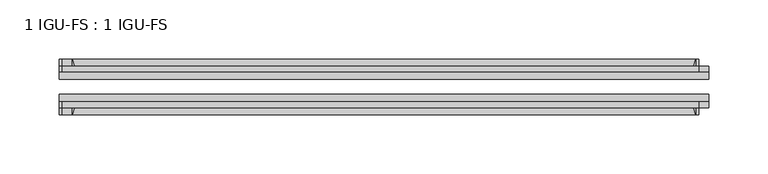
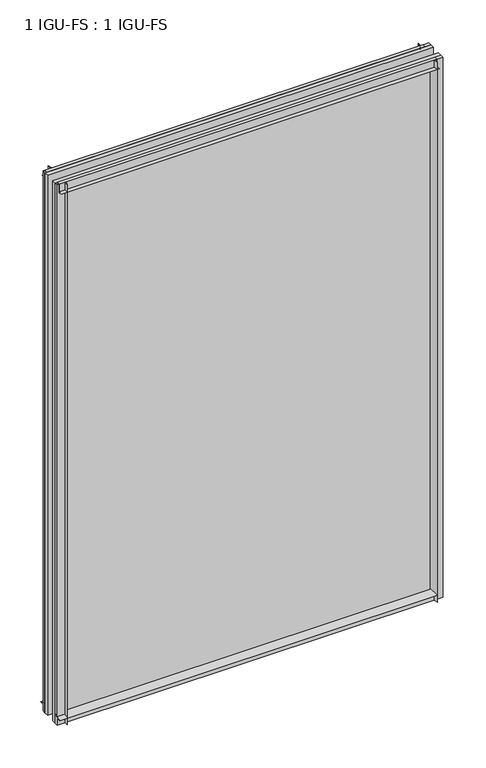
"""IFC4 building model written with IfcOpenShell, lengths in millimetres: plate geometry, 1 IGU-FS : 1 IGU-FS."""

from ifc_helpers import new_model, si_unit, point, frame, frame_2d, origin, place, context, project, spatial, polyline, circle_curve, trimmed, segment, composite_curve, outline, extrude, source, transform, mapped, element, save


def plate_1_igu_fs_1_igu_fs_cfb29761(model_context):
    return source(origin(), model_context, "Body", "SweptSolid", [
        extrude(outline(composite_curve([segment(polyline([(-40.084375, 3.8978906), (-40.084375, -10.3378), (-44.859575, -10.3378), (-44.859575, 0.0), (-50.8285753, 0.0)]), True, "CONTINUOUS"), segment(trimmed(circle_curve(frame_2d((-56.4601953, 32.279754)), 32.7673262), [point((-50.8285753, 0.0))], [point((-40.084375, 3.8978906))], True, "CARTESIAN"), True, "CONTINUOUS")], self_intersect=False)), frame((-274.6375, 0.0, 0.0), z_axis=(1.0, 0.0, 0.0), x_axis=(0.0, 1.0, 0.0)), (0.0, 0.0, 1.0), 538.1625),
        extrude(outline(composite_curve([segment(polyline([(-3.940175, 0.0), (-9.909175, 0.0), (-9.909175, -10.3378), (-14.684375, -10.3378), (-14.684375, 3.8978906)]), True, "CONTINUOUS"), segment(trimmed(circle_curve(frame_2d((1.6914453, 32.279754)), 32.7673262), [point((-14.684375, 3.8978906))], [point((-3.940175, 0.0))], True, "CARTESIAN"), True, "CONTINUOUS")], self_intersect=False)), frame((-274.6375, 0.0, 0.0), z_axis=(1.0, 0.0, 0.0), x_axis=(0.0, 1.0, 0.0)), (0.0, 0.0, 1.0), 538.1625),
        extrude(outline(composite_curve([segment(polyline([(-9.909175, 801.6875), (-9.909175, 790.575), (-3.9401753, 790.575)]), True, "CONTINUOUS"), segment(trimmed(circle_curve(frame_2d((1.6914453, 758.2952461)), 32.7673262), [point((-3.9401753, 790.575))], [point((-14.684375, 786.6771095))], True, "CARTESIAN"), True, "CONTINUOUS"), segment(polyline([(-14.684375, 786.6771095), (-14.684375, 801.6875), (-9.909175, 801.6875)]), True, "CONTINUOUS")], self_intersect=False)), frame((-272.0377386, 0.0, 0.0), z_axis=(1.0, 0.0, 0.0), x_axis=(0.0, 1.0, 0.0)), (0.0, 0.0, 1.0), 538.1087001),
        extrude(outline(composite_curve([segment(polyline([(-40.084375, 801.6875), (-40.084375, 786.6771095)]), True, "CONTINUOUS"), segment(trimmed(circle_curve(frame_2d((-56.4601953, 758.2952461)), 32.7673262), [point((-40.084375, 786.6771095))], [point((-50.8285747, 790.575))], True, "CARTESIAN"), True, "CONTINUOUS"), segment(polyline([(-50.8285747, 790.575), (-44.859575, 790.575), (-44.859575, 801.6875), (-40.084375, 801.6875)]), True, "CONTINUOUS")], self_intersect=False)), frame((-272.0377386, 0.0, 0.0), z_axis=(1.0, 0.0, 0.0), x_axis=(0.0, 1.0, 0.0)), (0.0, 0.0, 1.0), 538.1087001),
        extrude(outline(composite_curve([segment(polyline([(274.6375, -9.909175), (274.6375, -14.684375), (259.6271095, -14.684375)]), True, "CONTINUOUS"), segment(trimmed(circle_curve(frame_2d((231.245246, 1.6914453)), 32.7673262), [point((259.6271095, -14.684375))], [point((263.525, -3.940175))], True, "CARTESIAN"), True, "CONTINUOUS"), segment(polyline([(263.525, -3.940175), (263.525, -9.909175), (274.6375, -9.909175)]), True, "CONTINUOUS")], self_intersect=False)), frame((0.0, 0.0, -10.31875), z_axis=(0.0, 0.0, 1.0), x_axis=(1.0, 0.0, 0.0)), (0.0, 0.0, 1.0), 812.00625),
        extrude(outline(composite_curve([segment(polyline([(274.6375, -40.084375), (274.6375, -44.859575), (263.525, -44.859575), (263.525, -50.828575)]), True, "CONTINUOUS"), segment(trimmed(circle_curve(frame_2d((231.245246, -56.4601953)), 32.7673262), [point((263.525, -50.828575))], [point((259.6271095, -40.084375))], True, "CARTESIAN"), True, "CONTINUOUS"), segment(polyline([(259.6271095, -40.084375), (274.6375, -40.084375)]), True, "CONTINUOUS")], self_intersect=False)), frame((0.0, 0.0, -10.31875), z_axis=(0.0, 0.0, 1.0), x_axis=(1.0, 0.0, 0.0)), (0.0, 0.0, 1.0), 812.00625),
        extrude(outline(composite_curve([segment(polyline([(-274.6375, -9.909175), (-263.525, -9.909175), (-263.525, -3.940175)]), True, "CONTINUOUS"), segment(trimmed(circle_curve(frame_2d((-231.245246, 1.6914453)), 32.7673262), [point((-263.525, -3.940175))], [point((-259.6271095, -14.684375))], True, "CARTESIAN"), True, "CONTINUOUS"), segment(polyline([(-259.6271095, -14.684375), (-274.6375, -14.684375), (-274.6375, -9.909175)]), True, "CONTINUOUS")], self_intersect=False)), frame((0.0, 0.0, -10.31875), z_axis=(0.0, 0.0, 1.0), x_axis=(1.0, 0.0, 0.0)), (0.0, 0.0, 1.0), 812.00625),
        extrude(outline(composite_curve([segment(polyline([(-274.6375, -44.859575), (-274.6375, -40.084375), (-259.6271095, -40.084375)]), True, "CONTINUOUS"), segment(trimmed(circle_curve(frame_2d((-231.245246, -56.4601953)), 32.7673262), [point((-259.6271095, -40.084375))], [point((-263.525, -50.828575))], True, "CARTESIAN"), True, "CONTINUOUS"), segment(polyline([(-263.525, -50.828575), (-263.525, -44.859575), (-274.6375, -44.859575)]), True, "CONTINUOUS")], self_intersect=False)), frame((0.0, 0.0, -10.31875), z_axis=(0.0, 0.0, 1.0), x_axis=(1.0, 0.0, 0.0)), (0.0, 0.0, 1.0), 812.00625),
        extrude(outline(polyline([(-274.6375, -40.084375), (-274.6375, -33.785175), (274.6375, -33.785175), (274.6375, -40.084375), (-274.6375, -40.084375)])), frame((0.0, 0.0, -10.31875), z_axis=(0.0, 0.0, 1.0), x_axis=(1.0, 0.0, 0.0)), (0.0, 0.0, 1.0), 812.00625),
        extrude(outline(polyline([(274.6375, -20.983575), (-274.6375, -20.983575), (-274.6375, -14.684375), (274.6375, -14.684375), (274.6375, -20.983575)])), frame((0.0, 0.0, -10.31875), z_axis=(0.0, 0.0, 1.0), x_axis=(1.0, 0.0, 0.0)), (0.0, 0.0, 1.0), 812.00625),
    ])


if __name__ == "__main__":
    model = new_model("IFC4")
    model_context = context("Model", 3, world=origin())
    ifc_project = project(units=[si_unit("LENGTHUNIT", "METRE", prefix="MILLI")], contexts=[model_context])
    site = spatial("IfcSite", under=ifc_project)
    building = spatial("IfcBuilding", under=site)
    placement = place(None, origin())
    plate_1_igu_fs_1_igu_fs_shape = plate_1_igu_fs_1_igu_fs_cfb29761(model_context)
    element("IfcPlate", 1, ObjectType="1 IGU-FS : 1 IGU-FS", at=placement, inside=building, context=model_context, shape_type="MappedRepresentation", body=[
        mapped(plate_1_igu_fs_1_igu_fs_shape, transform((0.0, 0.0, 0.0), x_axis=(1.0, 0.0, 0.0), y_axis=(0.0, 1.0, 0.0), z_axis=(0.0, 0.0, 1.0))),
    ])
    save(model, "model.ifc")
